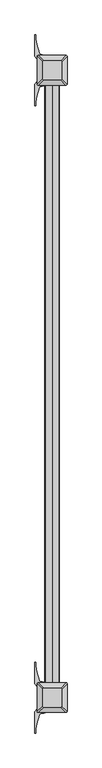
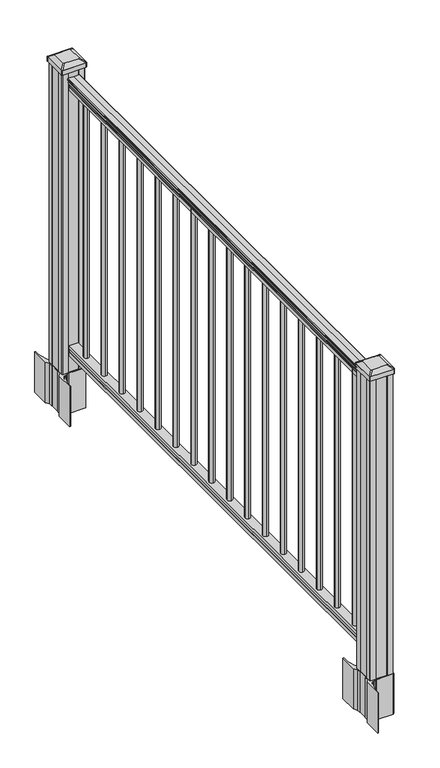
"""IFC4 building model written with IfcOpenShell, lengths in millimetres: railing geometry."""

from ifc_helpers import new_model, si_unit, point, frame, frame_2d, origin, origin_with_axes, place, context, project, spatial, polyline, circle_curve, trimmed, segment, composite_curve, outline, extrude, faceted_brep, source, transform, mapped, element, save
from ifc_brep_helpers import plane_surface, cylinder_surface, revolved_surface, extruded_surface, advanced_brep


def railing_faa2a168(model_context):
    return source(origin(), model_context, "Body", "SolidModel", [
        advanced_brep(
        [(2354.4505761, -20706.0475196, 1090.8043297), (2354.4505761, -20706.0475196, 1092.692412), (2355.5807624, -20706.0475196, 1094.2546695), (2355.5807624, -20706.0475196, 1101.4726458), (2354.931506, -20706.0475196, 1103.9060812), (2357.431506, -20706.0475196, 1108.2362083), (2358.8408485, -20706.0475196, 1109.9157972), (2359.2427475, -20706.0475196, 1111.0205318), (2359.2427474, -20706.0475196, 1112.3608158), (2357.6893002, -20706.0475196, 1113.914263), (2337.0177474, -20706.0475196, 1113.914263), (2316.3461946, -20706.0475196, 1113.914263), (2314.7927474, -20706.0475196, 1112.3608158), (2314.7927474, -20706.0475196, 1111.0205318), (2315.1946463, -20706.0475196, 1109.9157972), (2316.6039888, -20706.0475196, 1108.2362083), (2319.1039888, -20706.0475196, 1103.9060812), (2318.4547324, -20706.0475196, 1101.4726458), (2318.4547324, -20706.0475196, 1094.2546695), (2319.5849187, -20706.0475196, 1092.692412), (2319.5849187, -20706.0475196, 1090.8043297), (2322.1587474, -20706.0475196, 1090.8043297), (2322.1587474, -20706.0475196, 1080.3048283), (2321.1427474, -20706.0475196, 1079.2888283), (2321.1427474, -20706.0475196, 1066.8), (2352.8927474, -20706.0475196, 1066.8), (2352.8927474, -20706.0475196, 1079.131013), (2351.8767474, -20706.0475196, 1080.147013), (2351.8767474, -20706.0475196, 1090.8043297), (2354.4505761, -18877.2475196, 1090.8043297), (2351.8767474, -18877.2475196, 1090.8043297), (2351.8767474, -18877.2475196, 1080.147013), (2352.8927474, -18877.2475196, 1079.131013), (2352.8927474, -18877.2475196, 1066.8), (2321.1427474, -18877.2475196, 1066.8), (2321.1427474, -18877.2475196, 1079.2888283), (2322.1587474, -18877.2475196, 1080.3048283), (2322.1587474, -18877.2475196, 1090.8043297), (2319.5849187, -18877.2475196, 1090.8043297), (2319.5849187, -18877.2475196, 1092.692412), (2318.4547324, -18877.2475196, 1094.2546695), (2318.4547324, -18877.2475196, 1101.4726458), (2319.1039888, -18877.2475196, 1103.9060812), (2316.6039888, -18877.2475196, 1108.2362083), (2315.1946463, -18877.2475196, 1109.9157972), (2314.7927473, -18877.2475196, 1111.0205318), (2314.7927474, -18877.2475196, 1112.3608158), (2316.3461946, -18877.2475196, 1113.914263), (2337.0177474, -18877.2475196, 1113.914263), (2357.6893002, -18877.2475196, 1113.914263), (2359.2427474, -18877.2475196, 1112.3608158), (2359.2427474, -18877.2475196, 1111.0205318), (2358.8408485, -18877.2475196, 1109.9157972), (2357.431506, -18877.2475196, 1108.2362083), (2354.931506, -18877.2475196, 1103.9060812), (2355.5807624, -18877.2475196, 1101.4726458), (2355.5807624, -18877.2475196, 1094.2546695), (2354.4505761, -18877.2475196, 1092.692412)],
        [
            (0, 1),
            (1, 2, circle_curve(frame((2348.1358229, -20706.0475196, 1098.4506383), z_axis=(0.0, -1.0, 0.0), x_axis=(-1.0, 0.0, 0.0)), 8.545951)),
            (2, 3, circle_curve(frame((2348.5728858, -20706.0475196, 1097.8636577), z_axis=(0.0, -1.0, 0.0), x_axis=(-1.0, 0.0, 0.0)), 7.882584)),
            (3, 4, circle_curve(frame((2359.0862099, -20706.0475196, 1103.7112527), z_axis=(0.0, 1.0, 0.0), x_axis=(-1.0, 0.0, 0.0)), 4.1592695)),
            (4, 5, circle_curve(frame((2360.3735165, -20706.0475196, 1103.6508864), z_axis=(0.0, 1.0, 0.0), x_axis=(-1.0, 0.0, 0.0)), 5.4479907)),
            (5, 6, circle_curve(frame((2359.1403581, -20706.0475196, 1108.233395), z_axis=(0.0, 1.0, 0.0), x_axis=(-1.0, 0.0, 0.0)), 1.7088543)),
            (6, 7, circle_curve(frame((2357.523458, -20706.0475196, 1111.0205318), z_axis=(0.0, -1.0, 0.0), x_axis=(-1.0, 0.0, 0.0)), 1.7192895)),
            (7, 8),
            (8, 9, circle_curve(frame((2357.6893002, -20706.0475196, 1112.3608158), z_axis=(0.0, -1.0, 0.0), x_axis=(-1.0, 0.0, 0.0)), 1.5534472)),
            (9, 10),
            (10, 11),
            (11, 12, circle_curve(frame((2316.3461946, -20706.0475196, 1112.3608158), z_axis=(0.0, -1.0, 0.0), x_axis=(1.0, 0.0, 0.0)), 1.5534472)),
            (12, 13),
            (13, 14, circle_curve(frame((2316.5120368, -20706.0475196, 1111.0205318), z_axis=(0.0, -1.0, 0.0), x_axis=(1.0, 0.0, 0.0)), 1.7192895)),
            (14, 15, circle_curve(frame((2314.8951367, -20706.0475196, 1108.233395), z_axis=(0.0, 1.0, 0.0), x_axis=(1.0, 0.0, 0.0)), 1.7088543)),
            (15, 16, circle_curve(frame((2313.6619783, -20706.0475196, 1103.6508864), z_axis=(0.0, 1.0, 0.0), x_axis=(1.0, 0.0, 0.0)), 5.4479907)),
            (16, 17, circle_curve(frame((2314.9492849, -20706.0475196, 1103.7112527), z_axis=(0.0, 1.0, 0.0), x_axis=(1.0, 0.0, 0.0)), 4.1592695)),
            (17, 18, circle_curve(frame((2325.462609, -20706.0475196, 1097.8636577), z_axis=(0.0, -1.0, 0.0), x_axis=(1.0, 0.0, 0.0)), 7.882584)),
            (18, 19, circle_curve(frame((2325.8996719, -20706.0475196, 1098.4506383), z_axis=(0.0, -1.0, 0.0), x_axis=(1.0, 0.0, 0.0)), 8.545951)),
            (19, 20),
            (20, 21, circle_curve(frame((2320.871833, -20706.0475196, 1090.8043297), z_axis=(0.0, -1.0, 0.0), x_axis=(1.0, 0.0, 0.0)), 1.2869144)),
            (21, 22),
            (22, 23),
            (23, 24),
            (24, 25),
            (25, 26),
            (26, 27),
            (27, 28),
            (28, 0, circle_curve(frame((2353.1636618, -20706.0475196, 1090.8043297), z_axis=(0.0, -1.0, 0.0), x_axis=(-1.0, 0.0, 0.0)), 1.2869144)),
            (29, 30, circle_curve(frame((2353.1636618, -18877.2475196, 1090.8043297), z_axis=(0.0, 1.0, 0.0), x_axis=(-1.0, 0.0, 0.0)), 1.2869144)),
            (30, 31),
            (31, 32),
            (32, 33),
            (33, 34),
            (34, 35),
            (35, 36),
            (36, 37),
            (37, 38, circle_curve(frame((2320.871833, -18877.2475196, 1090.8043297), z_axis=(0.0, 1.0, 0.0), x_axis=(1.0, 0.0, 0.0)), 1.2869144)),
            (38, 39),
            (39, 40, circle_curve(frame((2325.8996719, -18877.2475196, 1098.4506383), z_axis=(0.0, 1.0, 0.0), x_axis=(1.0, 0.0, 0.0)), 8.545951)),
            (40, 41, circle_curve(frame((2325.462609, -18877.2475196, 1097.8636577), z_axis=(0.0, 1.0, 0.0), x_axis=(1.0, 0.0, 0.0)), 7.882584)),
            (41, 42, circle_curve(frame((2314.9492849, -18877.2475196, 1103.7112527), z_axis=(0.0, -1.0, 0.0), x_axis=(1.0, 0.0, 0.0)), 4.1592695)),
            (42, 43, circle_curve(frame((2313.6619783, -18877.2475196, 1103.6508864), z_axis=(0.0, -1.0, 0.0), x_axis=(1.0, 0.0, 0.0)), 5.4479907)),
            (43, 44, circle_curve(frame((2314.8951367, -18877.2475196, 1108.233395), z_axis=(0.0, -1.0, 0.0), x_axis=(1.0, 0.0, 0.0)), 1.7088543)),
            (44, 45, circle_curve(frame((2316.5120368, -18877.2475196, 1111.0205318), z_axis=(0.0, 1.0, 0.0), x_axis=(1.0, 0.0, 0.0)), 1.7192895)),
            (45, 46),
            (46, 47, circle_curve(frame((2316.3461946, -18877.2475196, 1112.3608158), z_axis=(0.0, 1.0, 0.0), x_axis=(1.0, 0.0, 0.0)), 1.5534472)),
            (47, 48),
            (48, 49),
            (49, 50, circle_curve(frame((2357.6893002, -18877.2475196, 1112.3608158), z_axis=(0.0, 1.0, 0.0), x_axis=(-1.0, 0.0, 0.0)), 1.5534472)),
            (50, 51),
            (51, 52, circle_curve(frame((2357.523458, -18877.2475196, 1111.0205318), z_axis=(0.0, 1.0, 0.0), x_axis=(-1.0, 0.0, 0.0)), 1.7192895)),
            (52, 53, circle_curve(frame((2359.1403581, -18877.2475196, 1108.233395), z_axis=(0.0, -1.0, 0.0), x_axis=(-1.0, 0.0, 0.0)), 1.7088543)),
            (53, 54, circle_curve(frame((2360.3735165, -18877.2475196, 1103.6508864), z_axis=(0.0, -1.0, 0.0), x_axis=(-1.0, 0.0, 0.0)), 5.4479907)),
            (54, 55, circle_curve(frame((2359.0862099, -18877.2475196, 1103.7112527), z_axis=(0.0, -1.0, 0.0), x_axis=(-1.0, 0.0, 0.0)), 4.1592695)),
            (55, 56, circle_curve(frame((2348.5728858, -18877.2475196, 1097.8636577), z_axis=(0.0, 1.0, 0.0), x_axis=(-1.0, 0.0, 0.0)), 7.882584)),
            (56, 57, circle_curve(frame((2348.1358229, -18877.2475196, 1098.4506383), z_axis=(0.0, 1.0, 0.0), x_axis=(-1.0, 0.0, 0.0)), 8.545951)),
            (57, 29),
            (28, 30),
            (29, 0),
            (27, 31),
            (26, 32),
            (25, 33),
            (24, 34),
            (23, 35),
            (22, 36),
            (21, 37),
            (20, 38),
            (19, 39),
            (18, 40),
            (17, 41),
            (16, 42),
            (15, 43),
            (14, 44),
            (13, 45),
            (12, 46),
            (11, 47),
            (10, 48),
            (9, 49),
            (8, 50),
            (7, 51),
            (6, 52),
            (5, 53),
            (4, 54),
            (3, 55),
            (2, 56),
            (1, 57),
        ],
        [
            plane_surface(frame((2337.0177474, -20706.0475196, 1066.8), z_axis=(0.0, -1.0, 0.0), x_axis=(0.0, 0.0, 1.0))),
            plane_surface(frame((2337.0177474, -18877.2475196, 1066.8), z_axis=(0.0, 1.0, 0.0), x_axis=(0.0, 0.0, 1.0))),
            cylinder_surface(frame((2353.1636618, -20706.0475196, 1090.8043297), z_axis=(0.0, -1.0, 0.0), x_axis=(-1.0, 0.0, 0.0)), 1.2869144),
            plane_surface(frame((2351.8767474, -20706.0475196, 1080.147013), z_axis=(1.0, 0.0, 0.0), x_axis=(0.0, 1.0, 0.0))),
            plane_surface(frame((2352.8927474, -20706.0475196, 1079.131013), z_axis=(0.7071067811865395, 0.0, 0.7071067811865556), x_axis=(0.0, 1.0, 0.0))),
            plane_surface(frame((2352.8927474, -20706.0475196, 1066.8), z_axis=(1.0, 0.0, 0.0), x_axis=(0.0, 1.0, 0.0))),
            plane_surface(frame((2321.1427474, -20706.0475196, 1066.8), z_axis=(0.0, 0.0, -1.0), x_axis=(0.0, 1.0, 0.0))),
            plane_surface(frame((2321.1427474, -20706.0475196, 1079.2888283), z_axis=(-1.0, 0.0, 0.0), x_axis=(0.0, 1.0, 0.0))),
            plane_surface(frame((2322.1587474, -20706.0475196, 1080.3048283), z_axis=(-0.7071067811865432, 0.0, 0.707106781186552), x_axis=(0.0, 1.0, 0.0))),
            plane_surface(frame((2322.1587474, -20706.0475196, 1090.8043297), z_axis=(-1.0, 0.0, 0.0), x_axis=(0.0, 1.0, 0.0))),
            cylinder_surface(frame((2320.871833, -20706.0475196, 1090.8043297), z_axis=(0.0, -1.0, 0.0), x_axis=(1.0, 0.0, 0.0)), 1.2869144),
            plane_surface(frame((2319.5849187, -20706.0475196, 1092.692412), z_axis=(-1.0, 0.0, 0.0), x_axis=(0.0, 1.0, 0.0))),
            cylinder_surface(frame((2325.8996719, -20706.0475196, 1098.4506383), z_axis=(0.0, -1.0, 0.0), x_axis=(1.0, 0.0, 0.0)), 8.545951),
            cylinder_surface(frame((2325.462609, -20706.0475196, 1097.8636577), z_axis=(0.0, -1.0, 0.0), x_axis=(1.0, 0.0, 0.0)), 7.882584),
            revolved_surface(polyline([(2319.1085544, -18877.2475196, 1103.7112527), (2319.1085544, -20706.0475196, 1103.7112527)]), (2314.9492849, -20706.0475196, 1103.7112527), (0.0, 1.0, 0.0)),
            revolved_surface(polyline([(2319.109969, -18877.2475196, 1103.6508864), (2319.109969, -20706.0475196, 1103.6508864)]), (2313.6619783, -20706.0475196, 1103.6508864), (0.0, 1.0, 0.0)),
            revolved_surface(polyline([(2316.603991, -18877.2475196, 1108.233395), (2316.603991, -20706.0475196, 1108.233395)]), (2314.8951367, -20706.0475196, 1108.233395), (0.0, 1.0, 0.0)),
            cylinder_surface(frame((2316.5120368, -20706.0475196, 1111.0205318), z_axis=(0.0, -1.0, 0.0), x_axis=(1.0, 0.0, 0.0)), 1.7192895),
            plane_surface(frame((2314.7927474, -20706.0475196, 1112.3608158), z_axis=(-1.0, 0.0, 0.0), x_axis=(0.0, 1.0, 0.0))),
            cylinder_surface(frame((2316.3461946, -20706.0475196, 1112.3608158), z_axis=(0.0, -1.0, 0.0), x_axis=(1.0, 0.0, 0.0)), 1.5534472),
            plane_surface(frame((2337.0177474, -20706.0475196, 1113.914263), z_axis=(0.0, 0.0, 1.0), x_axis=(0.0, 1.0, 0.0))),
            plane_surface(frame((2357.6893002, -20706.0475196, 1113.914263), z_axis=(0.0, 0.0, 1.0), x_axis=(0.0, 1.0, 0.0))),
            cylinder_surface(frame((2357.6893002, -20706.0475196, 1112.3608158), z_axis=(0.0, -1.0, 0.0), x_axis=(-1.0, 0.0, 0.0)), 1.5534472),
            plane_surface(frame((2359.2427474, -20706.0475196, 1111.0205318), z_axis=(1.0, 0.0, 0.0), x_axis=(0.0, 1.0, 0.0))),
            cylinder_surface(frame((2357.523458, -20706.0475196, 1111.0205318), z_axis=(0.0, -1.0, 0.0), x_axis=(-1.0, 0.0, 0.0)), 1.7192895),
            revolved_surface(polyline([(2357.4315038, -18877.2475196, 1108.233395), (2357.4315038, -20706.0475196, 1108.233395)]), (2359.1403581, -20706.0475196, 1108.233395), (0.0, 1.0, 0.0)),
            revolved_surface(polyline([(2354.9255258, -18877.2475196, 1103.6508864), (2354.9255258, -20706.0475196, 1103.6508864)]), (2360.3735165, -20706.0475196, 1103.6508864), (0.0, 1.0, 0.0)),
            revolved_surface(polyline([(2354.9269404, -18877.2475196, 1103.7112527), (2354.9269404, -20706.0475196, 1103.7112527)]), (2359.0862099, -20706.0475196, 1103.7112527), (0.0, 1.0, 0.0)),
            cylinder_surface(frame((2348.5728858, -20706.0475196, 1097.8636577), z_axis=(0.0, -1.0, 0.0), x_axis=(-1.0, 0.0, 0.0)), 7.882584),
            cylinder_surface(frame((2348.1358229, -20706.0475196, 1098.4506383), z_axis=(0.0, -1.0, 0.0), x_axis=(-1.0, 0.0, 0.0)), 8.545951),
            plane_surface(frame((2354.4505761, -20706.0475196, 1090.8043297), z_axis=(1.0, 0.0, 0.0), x_axis=(0.0, 1.0, 0.0))),
        ],
        [
            (0, [[1, 2, 3, 4, 5, 6, 7, 8, 9, 10, 11, 12, 13, 14, 15, 16, 17, 18, 19, 20, 21, 22, 23, 24, 25, 26, 27, 28, 29]]),
            (1, [[30, 31, 32, 33, 34, 35, 36, 37, 38, 39, 40, 41, 42, 43, 44, 45, 46, 47, 48, 49, 50, 51, 52, 53, 54, 55, 56, 57, 58]]),
            (2, [[-29, 59, -30, 60]]),
            (3, [[-28, 61, -31, -59]]),
            (4, [[-27, 62, -32, -61]]),
            (5, [[-26, 63, -33, -62]]),
            (6, [[-25, 64, -34, -63]]),
            (7, [[-24, 65, -35, -64]]),
            (8, [[-23, 66, -36, -65]]),
            (9, [[-22, 67, -37, -66]]),
            (10, [[-21, 68, -38, -67]]),
            (11, [[-20, 69, -39, -68]]),
            (12, [[-19, 70, -40, -69]]),
            (13, [[-18, 71, -41, -70]]),
            (14, [[-17, 72, -42, -71]]),
            (15, [[-16, 73, -43, -72]]),
            (16, [[-15, 74, -44, -73]]),
            (17, [[-14, 75, -45, -74]]),
            (18, [[-13, 76, -46, -75]]),
            (19, [[-12, 77, -47, -76]]),
            (20, [[-11, 78, -48, -77]]),
            (21, [[-10, 79, -49, -78]]),
            (22, [[-9, 80, -50, -79]]),
            (23, [[-8, 81, -51, -80]]),
            (24, [[-7, 82, -52, -81]]),
            (25, [[-6, 83, -53, -82]]),
            (26, [[-5, 84, -54, -83]]),
            (27, [[-4, 85, -55, -84]]),
            (28, [[-3, 86, -56, -85]]),
            (29, [[-2, 87, -57, -86]]),
            (30, [[-1, -60, -58, -87]]),
        ],
    ),
        faceted_brep([(2352.9302343, -20706.0475196, 76.0541976), (2351.9142343, -20706.0475196, 77.3546183), (2351.9142343, -20706.0475196, 87.7141717), (2352.9302343, -20706.0475196, 89.0624492), (2352.9302343, -20706.0475196, 101.5958781), (2321.1802343, -20706.0475196, 101.5958781), (2321.1802343, -20706.0475196, 89.0458024), (2322.1962343, -20706.0475196, 87.6975248), (2322.1962343, -20706.0475196, 77.3858283), (2321.1802343, -20706.0475196, 76.0375508), (2321.1802343, -20706.0475196, 63.5), (2352.9302343, -20706.0475196, 63.5), (2352.9302343, -18877.2475196, 76.0541976), (2352.9302343, -18877.2475196, 63.5), (2321.1802343, -18877.2475196, 63.5), (2321.1802343, -18877.2475196, 76.0375508), (2322.1962343, -18877.2475196, 77.3858283), (2322.1962343, -18877.2475196, 87.6975248), (2321.1802343, -18877.2475196, 89.0458024), (2321.1802343, -18877.2475196, 101.5958781), (2352.9302343, -18877.2475196, 101.5958781), (2352.9302343, -18877.2475196, 89.0624492), (2351.9142343, -18877.2475196, 87.7141717), (2351.9142343, -18877.2475196, 77.3546183)], [[[0, 1, 2, 3, 4, 5, 6, 7, 8, 9, 10, 11]], [[12, 13, 14, 15, 16, 17, 18, 19, 20, 21, 22, 23]], [[0, 11, 13, 12]], [[11, 10, 14, 13]], [[10, 9, 15, 14]], [[9, 8, 16, 15]], [[8, 7, 17, 16]], [[7, 6, 18, 17]], [[6, 5, 19, 18]], [[5, 4, 20, 19]], [[4, 3, 21, 20]], [[3, 2, 22, 21]], [[2, 1, 23, 22]], [[1, 0, 12, 23]]]),
        extrude(outline(composite_curve([segment(trimmed(circle_curve(frame_2d((2337.0177474, -18956.2415196)), 9.525), [point((2346.5427474, -18956.2415196))], [point((2337.0177474, -18965.7665196))], False, "CARTESIAN"), True, "CONTINUOUS"), segment(trimmed(circle_curve(frame_2d((2337.0177474, -18956.2415196)), 9.525), [point((2337.0177474, -18965.7665196))], [point((2327.4927474, -18956.2415196))], False, "CARTESIAN"), True, "CONTINUOUS"), segment(trimmed(circle_curve(frame_2d((2337.0177474, -18956.2415196)), 9.525), [point((2327.4927474, -18956.2415196))], [point((2337.0177474, -18946.7165196))], False, "CARTESIAN"), True, "CONTINUOUS"), segment(trimmed(circle_curve(frame_2d((2337.0177474, -18956.2415196)), 9.525), [point((2337.0177474, -18946.7165196))], [point((2346.5427474, -18956.2415196))], False, "CARTESIAN"), True, "CONTINUOUS")], self_intersect=False)), frame((0.0, 0.0, 101.5958781), z_axis=(0.0, 0.0, 1.0), x_axis=(1.0, 0.0, 0.0)), (0.0, 0.0, 1.0), 965.2041219),
        extrude(outline(composite_curve([segment(trimmed(circle_curve(frame_2d((2337.0177474, -19067.4935196)), 9.525), [point((2346.5427474, -19067.4935196))], [point((2337.0177474, -19077.0185196))], False, "CARTESIAN"), True, "CONTINUOUS"), segment(trimmed(circle_curve(frame_2d((2337.0177474, -19067.4935196)), 9.525), [point((2337.0177474, -19077.0185196))], [point((2327.4927474, -19067.4935196))], False, "CARTESIAN"), True, "CONTINUOUS"), segment(trimmed(circle_curve(frame_2d((2337.0177474, -19067.4935196)), 9.525), [point((2327.4927474, -19067.4935196))], [point((2337.0177474, -19057.9685196))], False, "CARTESIAN"), True, "CONTINUOUS"), segment(trimmed(circle_curve(frame_2d((2337.0177474, -19067.4935196)), 9.525), [point((2337.0177474, -19057.9685196))], [point((2346.5427474, -19067.4935196))], False, "CARTESIAN"), True, "CONTINUOUS")], self_intersect=False)), frame((0.0, 0.0, 101.5958781), z_axis=(0.0, 0.0, 1.0), x_axis=(1.0, 0.0, 0.0)), (0.0, 0.0, 1.0), 965.2041219),
        extrude(outline(composite_curve([segment(trimmed(circle_curve(frame_2d((2337.0177474, -19178.7455196)), 9.525), [point((2346.5427474, -19178.7455196))], [point((2337.0177474, -19188.2705196))], False, "CARTESIAN"), True, "CONTINUOUS"), segment(trimmed(circle_curve(frame_2d((2337.0177474, -19178.7455196)), 9.525), [point((2337.0177474, -19188.2705196))], [point((2327.4927474, -19178.7455196))], False, "CARTESIAN"), True, "CONTINUOUS"), segment(trimmed(circle_curve(frame_2d((2337.0177474, -19178.7455196)), 9.525), [point((2327.4927474, -19178.7455196))], [point((2337.0177474, -19169.2205196))], False, "CARTESIAN"), True, "CONTINUOUS"), segment(trimmed(circle_curve(frame_2d((2337.0177474, -19178.7455196)), 9.525), [point((2337.0177474, -19169.2205196))], [point((2346.5427474, -19178.7455196))], False, "CARTESIAN"), True, "CONTINUOUS")], self_intersect=False)), frame((0.0, 0.0, 101.5958781), z_axis=(0.0, 0.0, 1.0), x_axis=(1.0, 0.0, 0.0)), (0.0, 0.0, 1.0), 965.2041219),
        extrude(outline(composite_curve([segment(trimmed(circle_curve(frame_2d((2337.0177474, -19289.9975196)), 9.525), [point((2346.5427474, -19289.9975196))], [point((2337.0177474, -19299.5225196))], False, "CARTESIAN"), True, "CONTINUOUS"), segment(trimmed(circle_curve(frame_2d((2337.0177474, -19289.9975196)), 9.525), [point((2337.0177474, -19299.5225196))], [point((2327.4927474, -19289.9975196))], False, "CARTESIAN"), True, "CONTINUOUS"), segment(trimmed(circle_curve(frame_2d((2337.0177474, -19289.9975196)), 9.525), [point((2327.4927474, -19289.9975196))], [point((2337.0177474, -19280.4725196))], False, "CARTESIAN"), True, "CONTINUOUS"), segment(trimmed(circle_curve(frame_2d((2337.0177474, -19289.9975196)), 9.525), [point((2337.0177474, -19280.4725196))], [point((2346.5427474, -19289.9975196))], False, "CARTESIAN"), True, "CONTINUOUS")], self_intersect=False)), frame((0.0, 0.0, 101.5958781), z_axis=(0.0, 0.0, 1.0), x_axis=(1.0, 0.0, 0.0)), (0.0, 0.0, 1.0), 965.2041219),
        extrude(outline(composite_curve([segment(trimmed(circle_curve(frame_2d((2337.0177474, -19401.2495196)), 9.525), [point((2346.5427474, -19401.2495196))], [point((2337.0177474, -19410.7745196))], False, "CARTESIAN"), True, "CONTINUOUS"), segment(trimmed(circle_curve(frame_2d((2337.0177474, -19401.2495196)), 9.525), [point((2337.0177474, -19410.7745196))], [point((2327.4927474, -19401.2495196))], False, "CARTESIAN"), True, "CONTINUOUS"), segment(trimmed(circle_curve(frame_2d((2337.0177474, -19401.2495196)), 9.525), [point((2327.4927474, -19401.2495196))], [point((2337.0177474, -19391.7245196))], False, "CARTESIAN"), True, "CONTINUOUS"), segment(trimmed(circle_curve(frame_2d((2337.0177474, -19401.2495196)), 9.525), [point((2337.0177474, -19391.7245196))], [point((2346.5427474, -19401.2495196))], False, "CARTESIAN"), True, "CONTINUOUS")], self_intersect=False)), frame((0.0, 0.0, 101.5958781), z_axis=(0.0, 0.0, 1.0), x_axis=(1.0, 0.0, 0.0)), (0.0, 0.0, 1.0), 965.2041219),
        extrude(outline(composite_curve([segment(trimmed(circle_curve(frame_2d((2337.0177474, -19512.5015196)), 9.525), [point((2346.5427474, -19512.5015196))], [point((2337.0177474, -19522.0265196))], False, "CARTESIAN"), True, "CONTINUOUS"), segment(trimmed(circle_curve(frame_2d((2337.0177474, -19512.5015196)), 9.525), [point((2337.0177474, -19522.0265196))], [point((2327.4927474, -19512.5015196))], False, "CARTESIAN"), True, "CONTINUOUS"), segment(trimmed(circle_curve(frame_2d((2337.0177474, -19512.5015196)), 9.525), [point((2327.4927474, -19512.5015196))], [point((2337.0177474, -19502.9765196))], False, "CARTESIAN"), True, "CONTINUOUS"), segment(trimmed(circle_curve(frame_2d((2337.0177474, -19512.5015196)), 9.525), [point((2337.0177474, -19502.9765196))], [point((2346.5427474, -19512.5015196))], False, "CARTESIAN"), True, "CONTINUOUS")], self_intersect=False)), frame((0.0, 0.0, 101.5958781), z_axis=(0.0, 0.0, 1.0), x_axis=(1.0, 0.0, 0.0)), (0.0, 0.0, 1.0), 965.2041219),
        extrude(outline(composite_curve([segment(trimmed(circle_curve(frame_2d((2337.0177474, -19623.7535196)), 9.525), [point((2346.5427474, -19623.7535196))], [point((2337.0177474, -19633.2785196))], False, "CARTESIAN"), True, "CONTINUOUS"), segment(trimmed(circle_curve(frame_2d((2337.0177474, -19623.7535196)), 9.525), [point((2337.0177474, -19633.2785196))], [point((2327.4927474, -19623.7535196))], False, "CARTESIAN"), True, "CONTINUOUS"), segment(trimmed(circle_curve(frame_2d((2337.0177474, -19623.7535196)), 9.525), [point((2327.4927474, -19623.7535196))], [point((2337.0177474, -19614.2285196))], False, "CARTESIAN"), True, "CONTINUOUS"), segment(trimmed(circle_curve(frame_2d((2337.0177474, -19623.7535196)), 9.525), [point((2337.0177474, -19614.2285196))], [point((2346.5427474, -19623.7535196))], False, "CARTESIAN"), True, "CONTINUOUS")], self_intersect=False)), frame((0.0, 0.0, 101.5958781), z_axis=(0.0, 0.0, 1.0), x_axis=(1.0, 0.0, 0.0)), (0.0, 0.0, 1.0), 965.2041219),
        extrude(outline(composite_curve([segment(trimmed(circle_curve(frame_2d((2337.0177474, -19735.0055196)), 9.525), [point((2346.5427474, -19735.0055196))], [point((2337.0177474, -19744.5305196))], False, "CARTESIAN"), True, "CONTINUOUS"), segment(trimmed(circle_curve(frame_2d((2337.0177474, -19735.0055196)), 9.525), [point((2337.0177474, -19744.5305196))], [point((2327.4927474, -19735.0055196))], False, "CARTESIAN"), True, "CONTINUOUS"), segment(trimmed(circle_curve(frame_2d((2337.0177474, -19735.0055196)), 9.525), [point((2327.4927474, -19735.0055196))], [point((2337.0177474, -19725.4805196))], False, "CARTESIAN"), True, "CONTINUOUS"), segment(trimmed(circle_curve(frame_2d((2337.0177474, -19735.0055196)), 9.525), [point((2337.0177474, -19725.4805196))], [point((2346.5427474, -19735.0055196))], False, "CARTESIAN"), True, "CONTINUOUS")], self_intersect=False)), frame((0.0, 0.0, 101.5958781), z_axis=(0.0, 0.0, 1.0), x_axis=(1.0, 0.0, 0.0)), (0.0, 0.0, 1.0), 965.2041219),
        extrude(outline(composite_curve([segment(trimmed(circle_curve(frame_2d((2337.0177474, -19846.2575196)), 9.525), [point((2346.5427474, -19846.2575196))], [point((2337.0177474, -19855.7825196))], False, "CARTESIAN"), True, "CONTINUOUS"), segment(trimmed(circle_curve(frame_2d((2337.0177474, -19846.2575196)), 9.525), [point((2337.0177474, -19855.7825196))], [point((2327.4927474, -19846.2575196))], False, "CARTESIAN"), True, "CONTINUOUS"), segment(trimmed(circle_curve(frame_2d((2337.0177474, -19846.2575196)), 9.525), [point((2327.4927474, -19846.2575196))], [point((2337.0177474, -19836.7325196))], False, "CARTESIAN"), True, "CONTINUOUS"), segment(trimmed(circle_curve(frame_2d((2337.0177474, -19846.2575196)), 9.525), [point((2337.0177474, -19836.7325196))], [point((2346.5427474, -19846.2575196))], False, "CARTESIAN"), True, "CONTINUOUS")], self_intersect=False)), frame((0.0, 0.0, 101.5958781), z_axis=(0.0, 0.0, 1.0), x_axis=(1.0, 0.0, 0.0)), (0.0, 0.0, 1.0), 965.2041219),
        extrude(outline(composite_curve([segment(trimmed(circle_curve(frame_2d((2337.0177474, -19957.5095196)), 9.525), [point((2346.5427474, -19957.5095196))], [point((2337.0177474, -19967.0345196))], False, "CARTESIAN"), True, "CONTINUOUS"), segment(trimmed(circle_curve(frame_2d((2337.0177474, -19957.5095196)), 9.525), [point((2337.0177474, -19967.0345196))], [point((2327.4927474, -19957.5095196))], False, "CARTESIAN"), True, "CONTINUOUS"), segment(trimmed(circle_curve(frame_2d((2337.0177474, -19957.5095196)), 9.525), [point((2327.4927474, -19957.5095196))], [point((2337.0177474, -19947.9845196))], False, "CARTESIAN"), True, "CONTINUOUS"), segment(trimmed(circle_curve(frame_2d((2337.0177474, -19957.5095196)), 9.525), [point((2337.0177474, -19947.9845196))], [point((2346.5427474, -19957.5095196))], False, "CARTESIAN"), True, "CONTINUOUS")], self_intersect=False)), frame((0.0, 0.0, 101.5958781), z_axis=(0.0, 0.0, 1.0), x_axis=(1.0, 0.0, 0.0)), (0.0, 0.0, 1.0), 965.2041219),
        extrude(outline(composite_curve([segment(trimmed(circle_curve(frame_2d((2337.0177474, -20068.7615196)), 9.525), [point((2346.5427474, -20068.7615196))], [point((2337.0177474, -20078.2865196))], False, "CARTESIAN"), True, "CONTINUOUS"), segment(trimmed(circle_curve(frame_2d((2337.0177474, -20068.7615196)), 9.525), [point((2337.0177474, -20078.2865196))], [point((2327.4927474, -20068.7615196))], False, "CARTESIAN"), True, "CONTINUOUS"), segment(trimmed(circle_curve(frame_2d((2337.0177474, -20068.7615196)), 9.525), [point((2327.4927474, -20068.7615196))], [point((2337.0177474, -20059.2365196))], False, "CARTESIAN"), True, "CONTINUOUS"), segment(trimmed(circle_curve(frame_2d((2337.0177474, -20068.7615196)), 9.525), [point((2337.0177474, -20059.2365196))], [point((2346.5427474, -20068.7615196))], False, "CARTESIAN"), True, "CONTINUOUS")], self_intersect=False)), frame((0.0, 0.0, 101.5958781), z_axis=(0.0, 0.0, 1.0), x_axis=(1.0, 0.0, 0.0)), (0.0, 0.0, 1.0), 965.2041219),
        extrude(outline(composite_curve([segment(trimmed(circle_curve(frame_2d((2337.0177474, -20180.0135196)), 9.525), [point((2346.5427474, -20180.0135196))], [point((2337.0177474, -20189.5385196))], False, "CARTESIAN"), True, "CONTINUOUS"), segment(trimmed(circle_curve(frame_2d((2337.0177474, -20180.0135196)), 9.525), [point((2337.0177474, -20189.5385196))], [point((2327.4927474, -20180.0135196))], False, "CARTESIAN"), True, "CONTINUOUS"), segment(trimmed(circle_curve(frame_2d((2337.0177474, -20180.0135196)), 9.525), [point((2327.4927474, -20180.0135196))], [point((2337.0177474, -20170.4885196))], False, "CARTESIAN"), True, "CONTINUOUS"), segment(trimmed(circle_curve(frame_2d((2337.0177474, -20180.0135196)), 9.525), [point((2337.0177474, -20170.4885196))], [point((2346.5427474, -20180.0135196))], False, "CARTESIAN"), True, "CONTINUOUS")], self_intersect=False)), frame((0.0, 0.0, 101.5958781), z_axis=(0.0, 0.0, 1.0), x_axis=(1.0, 0.0, 0.0)), (0.0, 0.0, 1.0), 965.2041219),
        extrude(outline(composite_curve([segment(trimmed(circle_curve(frame_2d((2337.0177474, -20291.2655196)), 9.525), [point((2346.5427474, -20291.2655196))], [point((2337.0177474, -20300.7905196))], False, "CARTESIAN"), True, "CONTINUOUS"), segment(trimmed(circle_curve(frame_2d((2337.0177474, -20291.2655196)), 9.525), [point((2337.0177474, -20300.7905196))], [point((2327.4927474, -20291.2655196))], False, "CARTESIAN"), True, "CONTINUOUS"), segment(trimmed(circle_curve(frame_2d((2337.0177474, -20291.2655196)), 9.525), [point((2327.4927474, -20291.2655196))], [point((2337.0177474, -20281.7405196))], False, "CARTESIAN"), True, "CONTINUOUS"), segment(trimmed(circle_curve(frame_2d((2337.0177474, -20291.2655196)), 9.525), [point((2337.0177474, -20281.7405196))], [point((2346.5427474, -20291.2655196))], False, "CARTESIAN"), True, "CONTINUOUS")], self_intersect=False)), frame((0.0, 0.0, 101.5958781), z_axis=(0.0, 0.0, 1.0), x_axis=(1.0, 0.0, 0.0)), (0.0, 0.0, 1.0), 965.2041219),
        extrude(outline(composite_curve([segment(trimmed(circle_curve(frame_2d((2337.0177474, -20402.5175196)), 9.525), [point((2346.5427474, -20402.5175196))], [point((2337.0177474, -20412.0425196))], False, "CARTESIAN"), True, "CONTINUOUS"), segment(trimmed(circle_curve(frame_2d((2337.0177474, -20402.5175196)), 9.525), [point((2337.0177474, -20412.0425196))], [point((2327.4927474, -20402.5175196))], False, "CARTESIAN"), True, "CONTINUOUS"), segment(trimmed(circle_curve(frame_2d((2337.0177474, -20402.5175196)), 9.525), [point((2327.4927474, -20402.5175196))], [point((2337.0177474, -20392.9925196))], False, "CARTESIAN"), True, "CONTINUOUS"), segment(trimmed(circle_curve(frame_2d((2337.0177474, -20402.5175196)), 9.525), [point((2337.0177474, -20392.9925196))], [point((2346.5427474, -20402.5175196))], False, "CARTESIAN"), True, "CONTINUOUS")], self_intersect=False)), frame((0.0, 0.0, 101.5958781), z_axis=(0.0, 0.0, 1.0), x_axis=(1.0, 0.0, 0.0)), (0.0, 0.0, 1.0), 965.2041219),
        extrude(outline(composite_curve([segment(trimmed(circle_curve(frame_2d((2337.0177474, -20513.7695196)), 9.525), [point((2346.5427474, -20513.7695196))], [point((2337.0177474, -20523.2945196))], False, "CARTESIAN"), True, "CONTINUOUS"), segment(trimmed(circle_curve(frame_2d((2337.0177474, -20513.7695196)), 9.525), [point((2337.0177474, -20523.2945196))], [point((2327.4927474, -20513.7695196))], False, "CARTESIAN"), True, "CONTINUOUS"), segment(trimmed(circle_curve(frame_2d((2337.0177474, -20513.7695196)), 9.525), [point((2327.4927474, -20513.7695196))], [point((2337.0177474, -20504.2445196))], False, "CARTESIAN"), True, "CONTINUOUS"), segment(trimmed(circle_curve(frame_2d((2337.0177474, -20513.7695196)), 9.525), [point((2337.0177474, -20504.2445196))], [point((2346.5427474, -20513.7695196))], False, "CARTESIAN"), True, "CONTINUOUS")], self_intersect=False)), frame((0.0, 0.0, 101.5958781), z_axis=(0.0, 0.0, 1.0), x_axis=(1.0, 0.0, 0.0)), (0.0, 0.0, 1.0), 965.2041219),
        extrude(outline(composite_curve([segment(trimmed(circle_curve(frame_2d((2337.0177474, -20625.0215196)), 9.525), [point((2346.5427474, -20625.0215196))], [point((2337.0177474, -20634.5465196))], False, "CARTESIAN"), True, "CONTINUOUS"), segment(trimmed(circle_curve(frame_2d((2337.0177474, -20625.0215196)), 9.525), [point((2337.0177474, -20634.5465196))], [point((2327.4927474, -20625.0215196))], False, "CARTESIAN"), True, "CONTINUOUS"), segment(trimmed(circle_curve(frame_2d((2337.0177474, -20625.0215196)), 9.525), [point((2327.4927474, -20625.0215196))], [point((2337.0177474, -20615.4965196))], False, "CARTESIAN"), True, "CONTINUOUS"), segment(trimmed(circle_curve(frame_2d((2337.0177474, -20625.0215196)), 9.525), [point((2337.0177474, -20615.4965196))], [point((2346.5427474, -20625.0215196))], False, "CARTESIAN"), True, "CONTINUOUS")], self_intersect=False)), frame((0.0, 0.0, 101.5958781), z_axis=(0.0, 0.0, 1.0), x_axis=(1.0, 0.0, 0.0)), (0.0, 0.0, 1.0), 965.2041219),
        extrude(outline(composite_curve([segment(polyline([(2379.7532474, -18853.2316145), (2381.3407474, -18853.9936145), (2381.3407474, -18876.7955426), (2377.9677703, -18880.1685196), (2316.5080995, -18880.1685196), (2316.5080995, -18881.0892696), (2311.1905557, -18881.0892696), (2311.1905557, -18882.5435243), (2306.106026, -18882.5435243), (2306.106026, -18883.8275482), (2304.4387537, -18883.8275482)]), True, "CONTINUOUS"), segment(trimmed(circle_curve(frame_2d((2304.4387537, -18890.887008)), 7.0594599), [point((2304.4387537, -18883.8275482))], [point((2297.6714908, -18888.8770013))], True, "CARTESIAN"), True, "CONTINUOUS"), segment(polyline([(2297.6714908, -18888.8770013), (2289.7972966, -18915.3877304)]), True, "CONTINUOUS"), segment(trimmed(circle_curve(frame_2d((2344.5818099, -18931.6597801)), 57.15), [point((2289.7972966, -18915.3877304))], [point((2287.4318099, -18931.6597801))], True, "CARTESIAN"), True, "CONTINUOUS"), segment(polyline([(2287.4318099, -18931.6597801), (2287.4318099, -18943.6685196), (2284.4318099, -18943.6685196), (2284.4318099, -18878.5810196), (2292.6947474, -18867.2427283), (2292.6947474, -18853.9936145), (2294.2822474, -18853.2316145), (2294.2822474, -18818.4594248), (2292.6947474, -18817.6974248), (2292.6947474, -18804.448311), (2284.4318099, -18793.1100196), (2284.4318099, -18728.0225196), (2287.4318099, -18728.0225196), (2287.4318099, -18740.0312592)]), True, "CONTINUOUS"), segment(trimmed(circle_curve(frame_2d((2344.5818099, -18740.0312592)), 57.15), [point((2287.4318099, -18740.0312592))], [point((2289.7972966, -18756.3033088))], True, "CARTESIAN"), True, "CONTINUOUS"), segment(polyline([(2289.7972966, -18756.3033088), (2297.6714908, -18782.8140379)]), True, "CONTINUOUS"), segment(trimmed(circle_curve(frame_2d((2304.4387537, -18780.8040313)), 7.0594599), [point((2297.6714908, -18782.8140379))], [point((2304.4387537, -18787.8634911))], True, "CARTESIAN"), True, "CONTINUOUS"), segment(polyline([(2304.4387537, -18787.8634911), (2306.106026, -18787.8634911), (2306.106026, -18789.147515), (2311.1905557, -18789.147515), (2311.1905557, -18790.6017696), (2316.5080995, -18790.6017696), (2316.5080995, -18791.5225196), (2377.9677703, -18791.5225196), (2381.3407474, -18794.8954967), (2381.3407474, -18817.6974248), (2379.7532474, -18818.4594248), (2379.7532474, -18853.2316145)]), True, "CONTINUOUS")], self_intersect=False), holes=[polyline([(2295.7427474, -18796.1580196), (2295.7427474, -18875.5330196), (2297.3302474, -18877.1205196), (2334.25453, -18877.1205196), (2376.7052474, -18877.1205196), (2378.2927474, -18875.5330196), (2378.2927474, -18796.1580196), (2376.7052474, -18794.5705196), (2334.25453, -18794.5705196), (2297.3302474, -18794.5705196), (2295.7427474, -18796.1580196)])]), frame((0.0, 0.0, -152.4), z_axis=(0.0, 0.0, 1.0), x_axis=(1.0, 0.0, 0.0)), (0.0, 0.0, 1.0), 152.4),
        advanced_brep(
        [(2311.2208724, -18864.8173946, 1165.225), (2362.8146224, -18864.8173946, 1165.225), (2365.9896224, -18861.6423946, 1165.225), (2365.9896224, -18810.0486446, 1165.225), (2362.8146224, -18806.8736446, 1165.225), (2311.2208724, -18806.8736446, 1165.225), (2308.0458724, -18810.0486446, 1165.225), (2308.0458724, -18861.6423946, 1165.225), (2294.9489974, -18881.0892696, 1153.922), (2291.7739974, -18877.9142696, 1153.922), (2291.7739974, -18793.7767696, 1153.922), (2294.9489974, -18790.6017696, 1153.922), (2379.0864974, -18790.6017696, 1153.922), (2382.2614974, -18793.7767696, 1153.922), (2382.2614974, -18877.9142696, 1153.922), (2379.0864974, -18881.0892696, 1153.922)],
        [
            (0, 1),
            (1, 2, circle_curve(frame((2362.8146224, -18861.6423946, 1165.225), z_axis=(0.0, 0.0, 1.0), x_axis=(0.0, 1.0, 0.0)), 3.175)),
            (2, 3),
            (3, 4, circle_curve(frame((2362.8146224, -18810.0486446, 1165.225), z_axis=(0.0, 0.0, 1.0), x_axis=(0.0, 1.0, 0.0)), 3.175)),
            (4, 5),
            (5, 6, circle_curve(frame((2311.2208724, -18810.0486446, 1165.225), z_axis=(0.0, 0.0, 1.0), x_axis=(0.0, 1.0, 0.0)), 3.175)),
            (6, 7),
            (7, 0, circle_curve(frame((2311.2208724, -18861.6423946, 1165.225), z_axis=(0.0, 0.0, 1.0), x_axis=(0.0, 1.0, 0.0)), 3.175)),
            (8, 9, circle_curve(frame((2294.9489974, -18877.9142696, 1153.922), z_axis=(0.0, 0.0, -1.0), x_axis=(0.0, 1.0, 0.0)), 3.175)),
            (9, 10),
            (10, 11, circle_curve(frame((2294.9489974, -18793.7767696, 1153.922), z_axis=(0.0, 0.0, -1.0), x_axis=(0.0, 1.0, 0.0)), 3.175)),
            (11, 12),
            (12, 13, circle_curve(frame((2379.0864974, -18793.7767696, 1153.922), z_axis=(0.0, 0.0, -1.0), x_axis=(0.0, 1.0, 0.0)), 3.175)),
            (13, 14),
            (14, 15, circle_curve(frame((2379.0864974, -18877.9142696, 1153.922), z_axis=(0.0, 0.0, -1.0), x_axis=(0.0, 1.0, 0.0)), 3.175)),
            (15, 8),
            (8, 0),
            (7, 9),
            (6, 10),
            (5, 11),
            (4, 12),
            (3, 13),
            (2, 14),
            (1, 15),
        ],
        [
            plane_surface(frame((2337.0177474, -18835.8455196, 1165.225), z_axis=(0.0, 0.0, 1.0), x_axis=(-1.0, 0.0, 0.0))),
            plane_surface(frame((2337.0177474, -18835.8455196, 1153.922), z_axis=(0.0, 0.0, -1.0), x_axis=(-1.0, 0.0, 0.0))),
            extruded_surface(trimmed(circle_curve(frame((2311.2208724, -18861.6423946, 1165.225), z_axis=(0.0, 0.0, -1.0), x_axis=(0.0, 1.0, 0.0)), 3.175), [point((2311.2208724, -18864.8173946, 1165.225))], [point((2308.0458724, -18861.6423946, 1165.225))], True, "CARTESIAN"), (-16.271875000000364, -16.271875000002183, -11.302999999999884), 25.637972638867726),
            plane_surface(frame((2291.7739974, -18835.8455196, 1153.922), z_axis=(-0.5705009161540777, 0.0, 0.8212969649690409), x_axis=(0.0, 1.0, 0.0))),
            extruded_surface(trimmed(circle_curve(frame((2311.2208724, -18810.0486446, 1165.225), z_axis=(0.0, 0.0, -1.0), x_axis=(0.0, 1.0, 0.0)), 3.175), [point((2308.0458724, -18810.0486446, 1165.225))], [point((2311.2208724, -18806.8736446, 1165.225))], True, "CARTESIAN"), (-16.271875000000364, 16.271874999998545, -11.302999999999884), 25.63797263886542),
            plane_surface(frame((2337.0177474, -18790.6017696, 1153.922), z_axis=(0.0, 0.5705009161540291, 0.8212969649690747), x_axis=(1.0, 0.0, 0.0))),
            extruded_surface(trimmed(circle_curve(frame((2362.8146224, -18810.0486446, 1165.225), z_axis=(0.0, 0.0, -1.0), x_axis=(0.0, 1.0, 0.0)), 3.175), [point((2362.8146224, -18806.8736446, 1165.225))], [point((2365.9896224, -18810.0486446, 1165.225))], True, "CARTESIAN"), (16.27187499999991, 16.271874999998545, -11.302999999999884), 25.63797263886513),
            plane_surface(frame((2382.2614974, -18835.8455196, 1153.922), z_axis=(0.5705009161540143, 0.0, 0.821296964969085), x_axis=(0.0, -1.0, 0.0))),
            extruded_surface(trimmed(circle_curve(frame((2362.8146224, -18861.6423946, 1165.225), z_axis=(0.0, 0.0, -1.0), x_axis=(0.0, 1.0, 0.0)), 3.175), [point((2365.9896224, -18861.6423946, 1165.225))], [point((2362.8146224, -18864.8173946, 1165.225))], True, "CARTESIAN"), (16.27187499999991, -16.271875000002183, -11.302999999999884), 25.63797263886744),
            plane_surface(frame((2337.0177474, -18881.0892696, 1153.922), z_axis=(0.0, -0.570500916154034, 0.8212969649690713), x_axis=(-1.0, 0.0, 0.0))),
        ],
        [
            (0, [[1, 2, 3, 4, 5, 6, 7, 8]]),
            (1, [[9, 10, 11, 12, 13, 14, 15, 16]]),
            (2, [[17, -8, 18, -9]]),
            (3, [[-18, -7, 19, -10]]),
            (4, [[-19, -6, 20, -11]]),
            (5, [[-20, -5, 21, -12]]),
            (6, [[-21, -4, 22, -13]]),
            (7, [[-22, -3, 23, -14]]),
            (8, [[-23, -2, 24, -15]]),
            (9, [[-24, -1, -17, -16]]),
        ],
    ),
        extrude(outline(composite_curve([segment(trimmed(circle_curve(frame_2d((2294.9489974, -18877.9142696)), 3.175), [point((2294.9489974, -18881.0892696))], [point((2291.7739974, -18877.9142696))], False, "CARTESIAN"), True, "CONTINUOUS"), segment(polyline([(2291.7739974, -18877.9142696), (2291.7739974, -18793.7767696)]), True, "CONTINUOUS"), segment(trimmed(circle_curve(frame_2d((2294.9489974, -18793.7767696)), 3.175), [point((2291.7739974, -18793.7767696))], [point((2294.9489974, -18790.6017696))], False, "CARTESIAN"), True, "CONTINUOUS"), segment(polyline([(2294.9489974, -18790.6017696), (2379.0864974, -18790.6017696)]), True, "CONTINUOUS"), segment(trimmed(circle_curve(frame_2d((2379.0864974, -18793.7767696)), 3.175), [point((2379.0864974, -18790.6017696))], [point((2382.2614974, -18793.7767696))], False, "CARTESIAN"), True, "CONTINUOUS"), segment(polyline([(2382.2614974, -18793.7767696), (2382.2614974, -18877.9142696)]), True, "CONTINUOUS"), segment(trimmed(circle_curve(frame_2d((2379.0864974, -18877.9142696)), 3.175), [point((2382.2614974, -18877.9142696))], [point((2379.0864974, -18881.0892696))], False, "CARTESIAN"), True, "CONTINUOUS"), segment(polyline([(2379.0864974, -18881.0892696), (2294.9489974, -18881.0892696)]), True, "CONTINUOUS")], self_intersect=False)), frame((0.0, 0.0, 1136.65), z_axis=(0.0, 0.0, 1.0), x_axis=(1.0, 0.0, 0.0)), (0.0, 0.0, 1.0), 17.272),
        extrude(outline(polyline([(2297.3302474, -18877.1205196), (2295.7427474, -18875.5330196), (2295.7427474, -18855.9115196), (2297.3302474, -18855.1495196), (2297.3302474, -18816.5415196), (2295.7427474, -18815.7795196), (2295.7427474, -18796.1580196), (2297.3302474, -18794.5705196), (2316.9517474, -18794.5705196), (2317.7137474, -18796.1580196), (2356.3217474, -18796.1580196), (2357.0837474, -18794.5705196), (2376.7052474, -18794.5705196), (2378.2927474, -18796.1580196), (2378.2927474, -18815.7795196), (2376.7052474, -18816.5415196), (2376.7052474, -18855.1495196), (2378.2927474, -18855.9115196), (2378.2927474, -18875.5330196), (2376.7052474, -18877.1205196), (2357.0837474, -18877.1205196), (2356.3217474, -18875.5330196), (2317.7137474, -18875.5330196), (2316.9517474, -18877.1205196), (2297.3302474, -18877.1205196)])), origin_with_axes(), (0.0, 0.0, 1.0), 1136.65),
        extrude(outline(composite_curve([segment(polyline([(2379.7532474, -20764.8356145), (2381.3407474, -20765.5976145), (2381.3407474, -20788.3995426), (2377.9677703, -20791.7725196), (2316.5080995, -20791.7725196), (2316.5080995, -20792.6932696), (2311.1905557, -20792.6932696), (2311.1905557, -20794.1475243), (2306.106026, -20794.1475243), (2306.106026, -20795.4315482), (2304.4387537, -20795.4315482)]), True, "CONTINUOUS"), segment(trimmed(circle_curve(frame_2d((2304.4387537, -20802.491008)), 7.0594599), [point((2304.4387537, -20795.4315482))], [point((2297.6714908, -20800.4810013))], True, "CARTESIAN"), True, "CONTINUOUS"), segment(polyline([(2297.6714908, -20800.4810013), (2289.7972966, -20826.9917304)]), True, "CONTINUOUS"), segment(trimmed(circle_curve(frame_2d((2344.5818099, -20843.2637801)), 57.15), [point((2289.7972966, -20826.9917304))], [point((2287.4318099, -20843.2637801))], True, "CARTESIAN"), True, "CONTINUOUS"), segment(polyline([(2287.4318099, -20843.2637801), (2287.4318099, -20855.2725196), (2284.4318099, -20855.2725196), (2284.4318099, -20790.1850196), (2292.6947474, -20778.8467283), (2292.6947474, -20765.5976145), (2294.2822474, -20764.8356145), (2294.2822474, -20730.0634248), (2292.6947474, -20729.3014248), (2292.6947474, -20716.052311), (2284.4318099, -20704.7140196), (2284.4318099, -20639.6265196), (2287.4318099, -20639.6265196), (2287.4318099, -20651.6352592)]), True, "CONTINUOUS"), segment(trimmed(circle_curve(frame_2d((2344.5818099, -20651.6352592)), 57.15), [point((2287.4318099, -20651.6352592))], [point((2289.7972966, -20667.9073088))], True, "CARTESIAN"), True, "CONTINUOUS"), segment(polyline([(2289.7972966, -20667.9073088), (2297.6714908, -20694.4180379)]), True, "CONTINUOUS"), segment(trimmed(circle_curve(frame_2d((2304.4387537, -20692.4080313)), 7.0594599), [point((2297.6714908, -20694.4180379))], [point((2304.4387537, -20699.4674911))], True, "CARTESIAN"), True, "CONTINUOUS"), segment(polyline([(2304.4387537, -20699.4674911), (2306.106026, -20699.4674911), (2306.106026, -20700.751515), (2311.1905557, -20700.751515), (2311.1905557, -20702.2057696), (2316.5080995, -20702.2057696), (2316.5080995, -20703.1265196), (2377.9677703, -20703.1265196), (2381.3407474, -20706.4994967), (2381.3407474, -20729.3014248), (2379.7532474, -20730.0634248), (2379.7532474, -20764.8356145)]), True, "CONTINUOUS")], self_intersect=False), holes=[polyline([(2295.7427474, -20707.7620196), (2295.7427474, -20787.1370196), (2297.3302474, -20788.7245196), (2334.25453, -20788.7245196), (2376.7052474, -20788.7245196), (2378.2927474, -20787.1370196), (2378.2927474, -20707.7620196), (2376.7052474, -20706.1745196), (2334.25453, -20706.1745196), (2297.3302474, -20706.1745196), (2295.7427474, -20707.7620196)])]), frame((0.0, 0.0, -152.4), z_axis=(0.0, 0.0, 1.0), x_axis=(1.0, 0.0, 0.0)), (0.0, 0.0, 1.0), 152.4),
        advanced_brep(
        [(2311.2208724, -20776.4213946, 1165.225), (2362.8146224, -20776.4213946, 1165.225), (2365.9896224, -20773.2463946, 1165.225), (2365.9896224, -20721.6526446, 1165.225), (2362.8146224, -20718.4776446, 1165.225), (2311.2208724, -20718.4776446, 1165.225), (2308.0458724, -20721.6526446, 1165.225), (2308.0458724, -20773.2463946, 1165.225), (2294.9489974, -20792.6932696, 1153.922), (2291.7739974, -20789.5182696, 1153.922), (2291.7739974, -20705.3807696, 1153.922), (2294.9489974, -20702.2057696, 1153.922), (2379.0864974, -20702.2057696, 1153.922), (2382.2614974, -20705.3807696, 1153.922), (2382.2614974, -20789.5182696, 1153.922), (2379.0864974, -20792.6932696, 1153.922)],
        [
            (0, 1),
            (1, 2, circle_curve(frame((2362.8146224, -20773.2463946, 1165.225), z_axis=(0.0, 0.0, 1.0), x_axis=(0.0, 1.0, 0.0)), 3.175)),
            (2, 3),
            (3, 4, circle_curve(frame((2362.8146224, -20721.6526446, 1165.225), z_axis=(0.0, 0.0, 1.0), x_axis=(0.0, 1.0, 0.0)), 3.175)),
            (4, 5),
            (5, 6, circle_curve(frame((2311.2208724, -20721.6526446, 1165.225), z_axis=(0.0, 0.0, 1.0), x_axis=(0.0, 1.0, 0.0)), 3.175)),
            (6, 7),
            (7, 0, circle_curve(frame((2311.2208724, -20773.2463946, 1165.225), z_axis=(0.0, 0.0, 1.0), x_axis=(0.0, 1.0, 0.0)), 3.175)),
            (8, 9, circle_curve(frame((2294.9489974, -20789.5182696, 1153.922), z_axis=(0.0, 0.0, -1.0), x_axis=(0.0, 1.0, 0.0)), 3.175)),
            (9, 10),
            (10, 11, circle_curve(frame((2294.9489974, -20705.3807696, 1153.922), z_axis=(0.0, 0.0, -1.0), x_axis=(0.0, 1.0, 0.0)), 3.175)),
            (11, 12),
            (12, 13, circle_curve(frame((2379.0864974, -20705.3807696, 1153.922), z_axis=(0.0, 0.0, -1.0), x_axis=(0.0, 1.0, 0.0)), 3.175)),
            (13, 14),
            (14, 15, circle_curve(frame((2379.0864974, -20789.5182696, 1153.922), z_axis=(0.0, 0.0, -1.0), x_axis=(0.0, 1.0, 0.0)), 3.175)),
            (15, 8),
            (8, 0),
            (7, 9),
            (6, 10),
            (5, 11),
            (4, 12),
            (3, 13),
            (2, 14),
            (1, 15),
        ],
        [
            plane_surface(frame((2337.0177474, -20747.4495196, 1165.225), z_axis=(0.0, 0.0, 1.0), x_axis=(-1.0, 0.0, 0.0))),
            plane_surface(frame((2337.0177474, -20747.4495196, 1153.922), z_axis=(0.0, 0.0, -1.0), x_axis=(-1.0, 0.0, 0.0))),
            extruded_surface(trimmed(circle_curve(frame((2311.2208724, -20773.2463946, 1165.225), z_axis=(0.0, 0.0, -1.0), x_axis=(0.0, 1.0, 0.0)), 3.175), [point((2311.2208724, -20776.4213946, 1165.225))], [point((2308.0458724, -20773.2463946, 1165.225))], True, "CARTESIAN"), (-16.271875000000364, -16.271875000002183, -11.302999999999884), 25.637972638867726),
            plane_surface(frame((2291.7739974, -20747.4495196, 1153.922), z_axis=(-0.5705009161540777, 0.0, 0.8212969649690409), x_axis=(0.0, 1.0, 0.0))),
            extruded_surface(trimmed(circle_curve(frame((2311.2208724, -20721.6526446, 1165.225), z_axis=(0.0, 0.0, -1.0), x_axis=(0.0, 1.0, 0.0)), 3.175), [point((2308.0458724, -20721.6526446, 1165.225))], [point((2311.2208724, -20718.4776446, 1165.225))], True, "CARTESIAN"), (-16.271875000000364, 16.271874999998545, -11.302999999999884), 25.63797263886542),
            plane_surface(frame((2337.0177474, -20702.2057696, 1153.922), z_axis=(0.0, 0.5705009161540291, 0.8212969649690747), x_axis=(1.0, 0.0, 0.0))),
            extruded_surface(trimmed(circle_curve(frame((2362.8146224, -20721.6526446, 1165.225), z_axis=(0.0, 0.0, -1.0), x_axis=(0.0, 1.0, 0.0)), 3.175), [point((2362.8146224, -20718.4776446, 1165.225))], [point((2365.9896224, -20721.6526446, 1165.225))], True, "CARTESIAN"), (16.27187499999991, 16.271874999998545, -11.302999999999884), 25.63797263886513),
            plane_surface(frame((2382.2614974, -20747.4495196, 1153.922), z_axis=(0.5705009161540143, 0.0, 0.821296964969085), x_axis=(0.0, -1.0, 0.0))),
            extruded_surface(trimmed(circle_curve(frame((2362.8146224, -20773.2463946, 1165.225), z_axis=(0.0, 0.0, -1.0), x_axis=(0.0, 1.0, 0.0)), 3.175), [point((2365.9896224, -20773.2463946, 1165.225))], [point((2362.8146224, -20776.4213946, 1165.225))], True, "CARTESIAN"), (16.27187499999991, -16.271875000002183, -11.302999999999884), 25.63797263886744),
            plane_surface(frame((2337.0177474, -20792.6932696, 1153.922), z_axis=(0.0, -0.570500916154034, 0.8212969649690713), x_axis=(-1.0, 0.0, 0.0))),
        ],
        [
            (0, [[1, 2, 3, 4, 5, 6, 7, 8]]),
            (1, [[9, 10, 11, 12, 13, 14, 15, 16]]),
            (2, [[17, -8, 18, -9]]),
            (3, [[-18, -7, 19, -10]]),
            (4, [[-19, -6, 20, -11]]),
            (5, [[-20, -5, 21, -12]]),
            (6, [[-21, -4, 22, -13]]),
            (7, [[-22, -3, 23, -14]]),
            (8, [[-23, -2, 24, -15]]),
            (9, [[-24, -1, -17, -16]]),
        ],
    ),
        extrude(outline(composite_curve([segment(trimmed(circle_curve(frame_2d((2294.9489974, -20789.5182696)), 3.175), [point((2294.9489974, -20792.6932696))], [point((2291.7739974, -20789.5182696))], False, "CARTESIAN"), True, "CONTINUOUS"), segment(polyline([(2291.7739974, -20789.5182696), (2291.7739974, -20705.3807696)]), True, "CONTINUOUS"), segment(trimmed(circle_curve(frame_2d((2294.9489974, -20705.3807696)), 3.175), [point((2291.7739974, -20705.3807696))], [point((2294.9489974, -20702.2057696))], False, "CARTESIAN"), True, "CONTINUOUS"), segment(polyline([(2294.9489974, -20702.2057696), (2379.0864974, -20702.2057696)]), True, "CONTINUOUS"), segment(trimmed(circle_curve(frame_2d((2379.0864974, -20705.3807696)), 3.175), [point((2379.0864974, -20702.2057696))], [point((2382.2614974, -20705.3807696))], False, "CARTESIAN"), True, "CONTINUOUS"), segment(polyline([(2382.2614974, -20705.3807696), (2382.2614974, -20789.5182696)]), True, "CONTINUOUS"), segment(trimmed(circle_curve(frame_2d((2379.0864974, -20789.5182696)), 3.175), [point((2382.2614974, -20789.5182696))], [point((2379.0864974, -20792.6932696))], False, "CARTESIAN"), True, "CONTINUOUS"), segment(polyline([(2379.0864974, -20792.6932696), (2294.9489974, -20792.6932696)]), True, "CONTINUOUS")], self_intersect=False)), frame((0.0, 0.0, 1136.65), z_axis=(0.0, 0.0, 1.0), x_axis=(1.0, 0.0, 0.0)), (0.0, 0.0, 1.0), 17.272),
        extrude(outline(polyline([(2297.3302474, -20788.7245196), (2295.7427474, -20787.1370196), (2295.7427474, -20767.5155196), (2297.3302474, -20766.7535196), (2297.3302474, -20728.1455196), (2295.7427474, -20727.3835196), (2295.7427474, -20707.7620196), (2297.3302474, -20706.1745196), (2316.9517474, -20706.1745196), (2317.7137474, -20707.7620196), (2356.3217474, -20707.7620196), (2357.0837474, -20706.1745196), (2376.7052474, -20706.1745196), (2378.2927474, -20707.7620196), (2378.2927474, -20727.3835196), (2376.7052474, -20728.1455196), (2376.7052474, -20766.7535196), (2378.2927474, -20767.5155196), (2378.2927474, -20787.1370196), (2376.7052474, -20788.7245196), (2357.0837474, -20788.7245196), (2356.3217474, -20787.1370196), (2317.7137474, -20787.1370196), (2316.9517474, -20788.7245196), (2297.3302474, -20788.7245196)])), origin_with_axes(), (0.0, 0.0, 1.0), 1136.65),
    ])


if __name__ == "__main__":
    model = new_model("IFC4")
    model_context = context("Model", 3, world=origin())
    ifc_project = project(units=[si_unit("LENGTHUNIT", "METRE", prefix="MILLI")], contexts=[model_context])
    site = spatial("IfcSite", under=ifc_project)
    building = spatial("IfcBuilding", under=site)
    placement = place(None, origin())
    railing_shape = railing_faa2a168(model_context)
    element("IfcRailing", 1, at=placement, inside=building, context=model_context, shape_type="MappedRepresentation", body=[
        mapped(railing_shape, transform((0.0, 0.0, 0.0), x_axis=(1.0, 0.0, 0.0), y_axis=(0.0, 1.0, 0.0), z_axis=(0.0, 0.0, 1.0))),
    ])
    save(model, "model.ifc")
